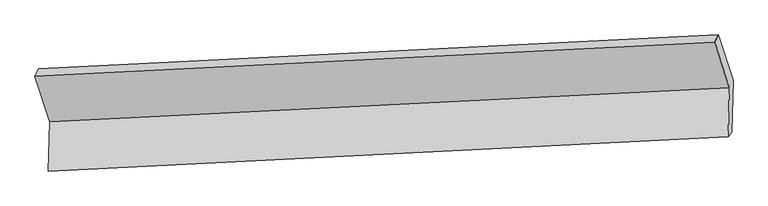
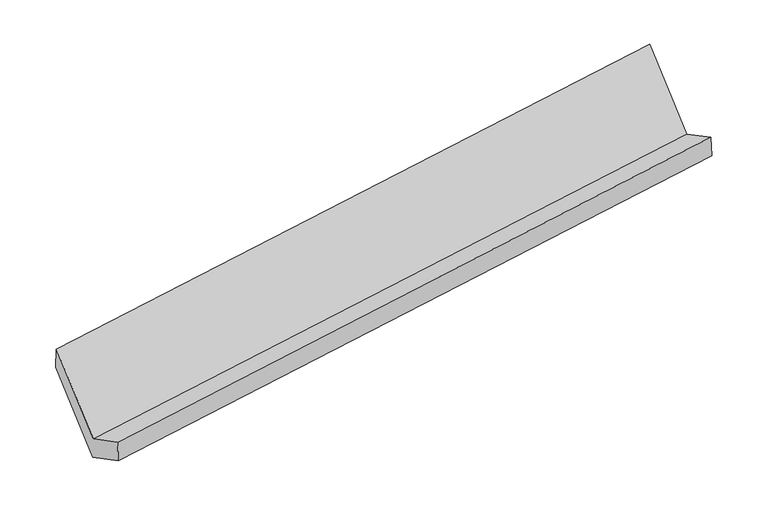
"""IFC4 building model written with IfcOpenShell, lengths in millimetres: proxy geometry."""

from ifc_helpers import new_model, si_unit, origin, place, context, project, spatial, faceted_brep, source, transform, mapped, element, save


def generic_models_26938068(model_context):
    return source(origin(), model_context, "Body", "Brep", [
        faceted_brep([(-5187.3349523, -1637.8238531, 1421.6557853), (-5196.5479151, -1977.4871309, 1605.6744913), (-495.060403, -1742.1174365, 2296.5023674), (-485.8474402, -1402.4541587, 2112.4836614), (-5171.6825205, -1943.8819369, 1425.4099013), (-470.1950084, -1708.5122425, 2116.2377774), (-5161.9927185, -1586.6385651, 1231.8668624), (-460.5052064, -1351.2688707, 1922.6947384), (-5263.8388886, -1271.7069572, 1808.0713122), (-562.3513765, -1036.3372628, 2498.8991882), (-5289.1811224, -1322.8922452, 1997.8602351), (-587.6936103, -1087.5225508, 2688.6881112)], [[[0, 1, 2, 3]], [[1, 4, 5, 2]], [[4, 6, 7, 5]], [[6, 8, 9, 7]], [[8, 10, 11, 9]], [[10, 0, 3, 11]], [[9, 11, 3, 2, 5, 7]], [[0, 10, 8, 6, 4, 1]]]),
    ])


if __name__ == "__main__":
    model = new_model("IFC4")
    model_context = context("Model", 3, world=origin())
    ifc_project = project(units=[si_unit("LENGTHUNIT", "METRE", prefix="MILLI")], contexts=[model_context])
    site = spatial("IfcSite", under=ifc_project)
    building = spatial("IfcBuilding", under=site)
    placement = place(None, origin())
    generic_models_shape = generic_models_26938068(model_context)
    element("IfcBuildingElementProxy", 1, Name="Generic Models", at=placement, inside=building, context=model_context, shape_type="MappedRepresentation", body=[
        mapped(generic_models_shape, transform((0.0, 0.0, 0.0), x_axis=(1.0, 0.0, 0.0), y_axis=(0.0, 1.0, 0.0), z_axis=(0.0, 0.0, 1.0))),
    ])
    save(model, "model.ifc")
